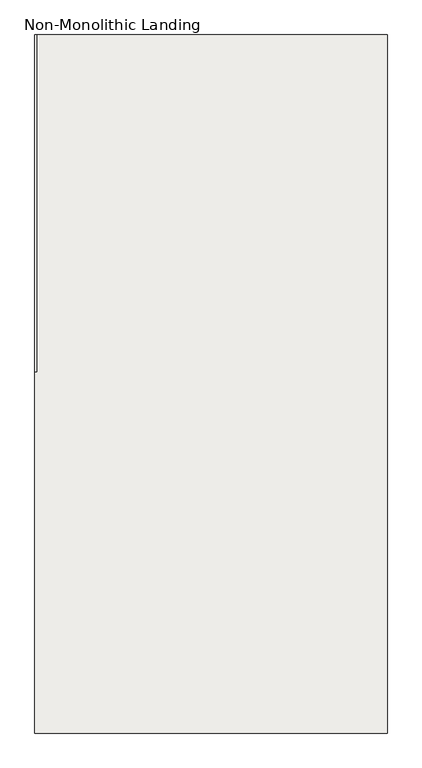
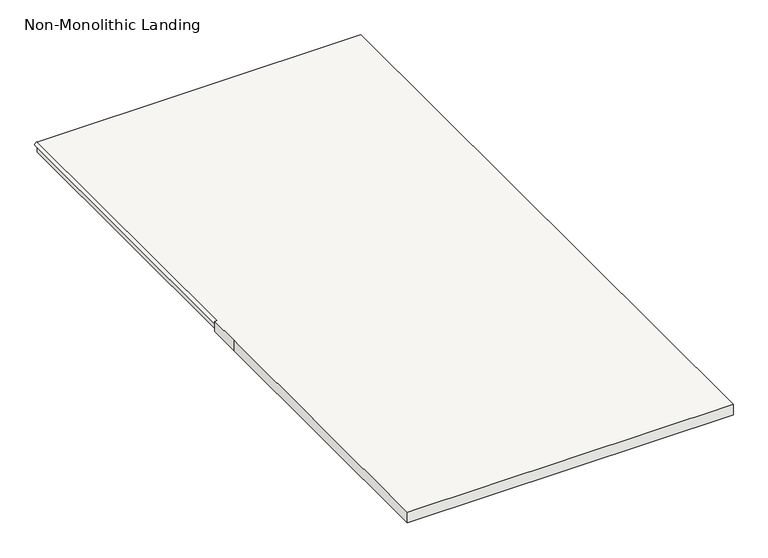
"""IFC4 building model written with IfcOpenShell, lengths in millimetres: slab geometry, Non-Monolithic Landing."""

from ifc_helpers import new_model, si_unit, frame, origin, place, context, project, spatial, circle_curve, source, transform, mapped, element, save
from ifc_brep_helpers import plane_surface, cylinder_surface, advanced_brep


def non_monolithic_landing_7ae8b4cb(model_context):
    return source(origin(), model_context, "Body", "AdvancedBrep", [
        advanced_brep(
        [(-21120.801725, 15876.2977117, 1750.0), (-21130.801725, 15876.2977117, 1750.0), (-21130.801725, 15726.3068866, 1750.0), (-21130.801725, 14351.3038348, 1750.0), (-19640.794963, 14351.3038348, 1750.0), (-19640.794963, 17301.6731812, 1750.0), (-21120.801725, 17301.6731812, 1750.0), (-21120.801725, 15876.2977117, 1700.0), (-21120.801725, 17301.6731812, 1700.0), (-19640.794963, 17301.6731812, 1700.0), (-19640.794963, 14351.3038348, 1700.0), (-21130.801725, 14351.3038348, 1700.0), (-21130.801725, 15726.3068866, 1700.0), (-21130.801725, 15876.2977117, 1700.0), (-21120.801725, 15876.2977117, 1730.0), (-21120.801725, 17301.6731812, 1730.0), (-21130.801725, 15876.2977117, 1740.0)],
        [
            (0, 1),
            (1, 2),
            (2, 3),
            (3, 4),
            (4, 5),
            (5, 6),
            (6, 0),
            (7, 8),
            (8, 9),
            (9, 10),
            (10, 11),
            (11, 12),
            (12, 13),
            (13, 7),
            (7, 14),
            (14, 15),
            (15, 8),
            (0, 16, circle_curve(frame((-21120.801725, 15876.2977117, 1740.0), z_axis=(0.0, -1.0, 0.0), x_axis=(1.0, 0.0, 0.0)), 10.0)),
            (16, 1),
            (13, 16),
            (16, 14, circle_curve(frame((-21120.801725, 15876.2977117, 1740.0), z_axis=(0.0, -1.0, 0.0), x_axis=(1.0, 0.0, 0.0)), 10.0)),
            (12, 2),
            (11, 3),
            (10, 4),
            (9, 5),
            (15, 6, circle_curve(frame((-21120.801725, 17301.6731812, 1740.0), z_axis=(0.0, 1.0, 0.0), x_axis=(1.0, 0.0, 0.0)), 10.0)),
        ],
        [
            plane_surface(frame((-21120.801725, 17301.6731812, 1750.0), z_axis=(0.0, 0.0, 1.0), x_axis=(0.0, -1.0, 0.0))),
            plane_surface(frame((-21120.801725, 17301.6731812, 1700.0), z_axis=(0.0, 0.0, -1.0), x_axis=(0.0, 1.0, 0.0))),
            plane_surface(frame((-21120.801725, 17301.6731812, 1750.0), z_axis=(-1.0, 0.0, 0.0), x_axis=(0.0, 0.0, -1.0))),
            plane_surface(frame((-21120.801725, 15876.2977117, 1750.0), z_axis=(0.0, 1.0, 0.0), x_axis=(0.0, 0.0, -1.0))),
            plane_surface(frame((-21130.801725, 15876.2977117, 1750.0), z_axis=(-1.0, 0.0, 0.0), x_axis=(0.0, 0.0, -1.0))),
            plane_surface(frame((-21130.801725, 15726.3068866, 1750.0), z_axis=(-1.0, 0.0, 0.0), x_axis=(0.0, 0.0, -1.0))),
            plane_surface(frame((-21130.801725, 14351.3038348, 1750.0), z_axis=(0.0, -1.0, 0.0), x_axis=(0.0, 0.0, -1.0))),
            plane_surface(frame((-19640.794963, 14351.3038348, 1750.0), z_axis=(1.0, 0.0, 0.0), x_axis=(0.0, 0.0, -1.0))),
            plane_surface(frame((-19640.794963, 17301.6731812, 1750.0), z_axis=(0.0, 1.0, 0.0), x_axis=(0.0, 0.0, -1.0))),
            cylinder_surface(frame((-21120.801725, 15876.2977117, 1740.0), z_axis=(0.0, -1.0, 0.0), x_axis=(1.0, 0.0, 0.0)), 10.0),
        ],
        [
            (0, [[1, 2, 3, 4, 5, 6, 7]]),
            (1, [[8, 9, 10, 11, 12, 13, 14]]),
            (2, [[-8, 15, 16, 17]]),
            (3, [[-1, 18, 19]]),
            (3, [[-14, 20, 21, -15]]),
            (4, [[-2, -19, -20, -13, 22]]),
            (5, [[-3, -22, -12, 23]]),
            (6, [[-4, -23, -11, 24]]),
            (7, [[-5, -24, -10, 25]]),
            (8, [[-6, -25, -9, -17, 26]]),
            (9, [[-26, -16, -21, -18, -7]]),
        ],
    ),
    ])


if __name__ == "__main__":
    model = new_model("IFC4")
    model_context = context("Model", 3, world=origin())
    ifc_project = project(units=[si_unit("LENGTHUNIT", "METRE", prefix="MILLI")], contexts=[model_context])
    site = spatial("IfcSite", under=ifc_project)
    building = spatial("IfcBuilding", under=site)
    placement = place(None, origin())
    non_monolithic_landing_shape = non_monolithic_landing_7ae8b4cb(model_context)
    element("IfcSlab", 1, ObjectType="Non-Monolithic Landing", at=placement, inside=building, context=model_context, shape_type="MappedRepresentation", body=[
        mapped(non_monolithic_landing_shape, transform((0.0, 0.0, 0.0), x_axis=(1.0, 0.0, 0.0), y_axis=(0.0, 1.0, 0.0), z_axis=(0.0, 0.0, 1.0))),
    ])
    save(model, "model.ifc")
